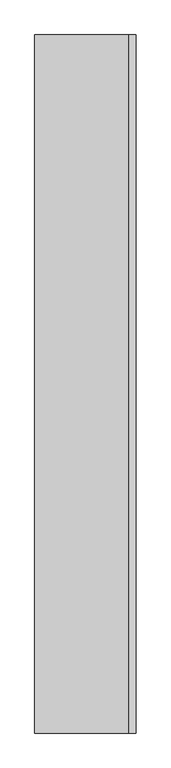
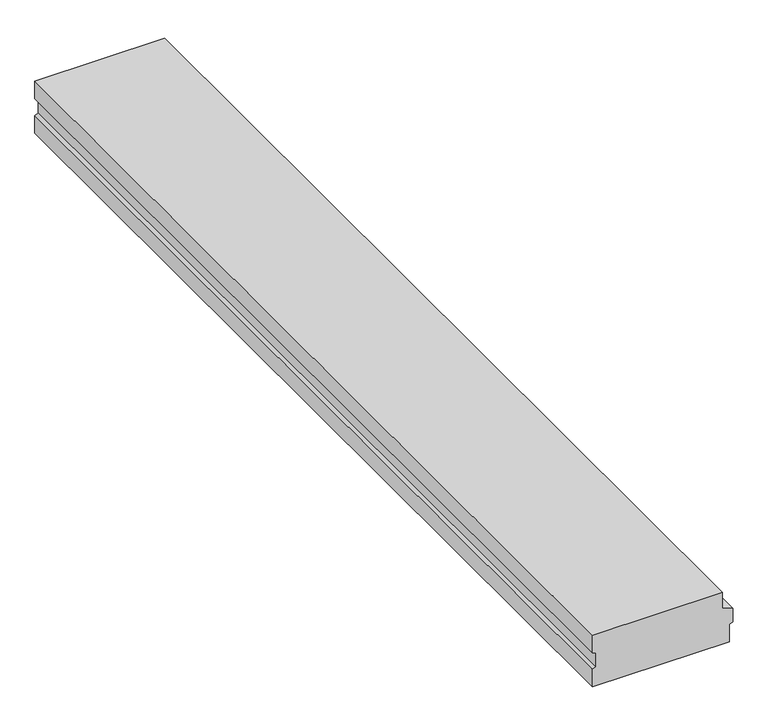
"""IFC4 building model written with IfcOpenShell, lengths in millimetres: beam geometry."""

from ifc_helpers import new_model, si_unit, frame, origin, place, context, project, spatial, polyline, outline, extrude, source, transform, mapped, element, save


def beam_f062622b(model_context):
    return source(origin(), model_context, "Body", "SweptSolid", [
        extrude(outline(polyline([(0.0, 270.0), (0.0, -300.0), (-81.2054084, -300.0), (-86.8469471, -284.5), (-152.5378604, -284.5), (-158.9635917, -300.0), (-240.0, -300.0), (-240.0, 300.0), (-158.9635917, 300.0), (-152.5378604, 315.5), (-91.5606457, 315.5), (-75.0, 270.0), (0.0, 270.0)])), frame((0.0, -2120.0, 0.0), z_axis=(0.0, 1.0, 0.0), x_axis=(0.0, 0.0, 1.0)), (0.0, 0.0, 1.0), 4240.0),
    ])


if __name__ == "__main__":
    model = new_model("IFC4")
    model_context = context("Model", 3, world=origin())
    ifc_project = project(units=[si_unit("LENGTHUNIT", "METRE", prefix="MILLI")], contexts=[model_context])
    site = spatial("IfcSite", under=ifc_project)
    building = spatial("IfcBuilding", under=site)
    placement = place(None, origin())
    beam_shape = beam_f062622b(model_context)
    element("IfcBeam", 1, at=placement, inside=building, context=model_context, shape_type="MappedRepresentation", body=[
        mapped(beam_shape, transform((0.0, 0.0, 0.0), x_axis=(1.0, 0.0, 0.0), y_axis=(0.0, 1.0, 0.0), z_axis=(0.0, 0.0, 1.0))),
    ])
    save(model, "model.ifc")
